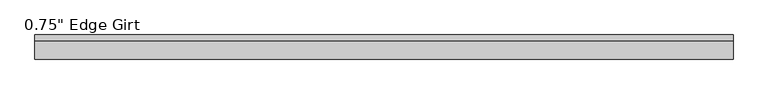
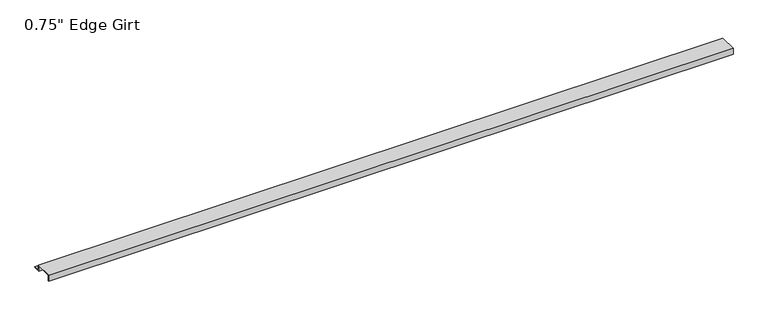
"""IFC4 building model written with IfcOpenShell, lengths in millimetres: proxy geometry."""

import ifcopenshell
import ifcopenshell.guid

model = None  # the IFC model being written
_history = None  # IfcOwnerHistory: only IFC2X3 demands one
_inside = {}  # id of a spatial element -> (the spatial element, [elements in it])
_under = {}  # id of a project, library or spatial element -> (it, [spatial elements below it])
_declared = {}  # id of a project -> (the project, [libraries it declares])
_typed = {}  # id of a type object -> (the type object, [elements of that type])
_made_of = {}  # id of a material, layer set ... -> (it, [elements and type objects made of it])


def new_model(schema):
    """Start an empty IFC model of exactly this schema.

    Asked for "IFC4X3", IfcOpenShell would pick the latest addendum, in which some entities
    have other attributes; the version numbers below select the first issue.
    IFC2X3 requires an IfcOwnerHistory on every rooted entity: one is made here for all.
    """
    global model, _history
    if schema == "IFC4X3":
        model = ifcopenshell.file(schema_version=(4, 3, 0, 0))
    else:
        model = ifcopenshell.file(schema=schema)
    _inside.clear()
    _under.clear()
    _declared.clear()
    _typed.clear()
    _made_of.clear()
    _history = None
    if model.schema == "IFC2X3":
        org = make("IfcOrganization", Name="unknown")
        user = make(
            "IfcPersonAndOrganization",
            ThePerson=make("IfcPerson", FamilyName="unknown"),
            TheOrganization=org,
        )
        app = make(
            "IfcApplication",
            ApplicationDeveloper=org,
            Version="unknown",
            ApplicationFullName="unknown",
            ApplicationIdentifier="unknown",
        )
        _history = make(
            "IfcOwnerHistory",
            OwningUser=user,
            OwningApplication=app,
            ChangeAction="ADDED",
            CreationDate=0,
        )
    return model


def make(cls, **values):
    """One entity of the class cls with the attributes given. An attribute that is None is left unset."""
    return model.create_entity(
        cls, **{name: value for name, value in values.items() if value is not None}
    )


def rooted(cls, **values):
    """An entity with a GlobalId (a new one), such as an element, a storey or a relation."""
    return make(cls, GlobalId=ifcopenshell.guid.new(), OwnerHistory=_history, **values)


def si_unit(unit_type, name, prefix=None):
    """IfcSIUnit, for example si_unit("LENGTHUNIT", "METRE", prefix="MILLI")."""
    return make("IfcSIUnit", UnitType=unit_type, Prefix=prefix, Name=name)


def assignment(units):
    """IfcUnitAssignment: the units of a project."""
    return None if units is None else make("IfcUnitAssignment", Units=units)


def point(xyz):
    """IfcCartesianPoint."""
    return None if xyz is None else make("IfcCartesianPoint", Coordinates=xyz)


def direction(xyz):
    """IfcDirection."""
    return None if xyz is None else make("IfcDirection", DirectionRatios=xyz)


def frame(location, z_axis=None, x_axis=None):
    """IfcAxis2Placement3D, a coordinate frame: its origin and axes. An axis left out is left unset."""
    return make(
        "IfcAxis2Placement3D",
        Location=point(location),
        Axis=direction(z_axis),
        RefDirection=direction(x_axis),
    )


def origin():
    """The frame at (0, 0, 0) with its axes left unset."""
    return frame((0.0, 0.0, 0.0))


def place(relative_to, where):
    """IfcLocalPlacement: puts the frame where relative to a parent placement (None: the world)."""
    return make(
        "IfcLocalPlacement", PlacementRelTo=relative_to, RelativePlacement=where
    )


def context(
    kind, dimensions, precision=None, world=None, true_north=None, identifier=None
):
    """IfcGeometricRepresentationContext, for example the 3D "Model" context."""
    return make(
        "IfcGeometricRepresentationContext",
        ContextIdentifier=identifier,
        ContextType=kind,
        CoordinateSpaceDimension=dimensions,
        Precision=precision,
        WorldCoordinateSystem=world,
        TrueNorth=true_north,
    )


def project(units=None, contexts=None):
    """IfcProject with its units and contexts."""
    return rooted(
        "IfcProject",
        Name="project",
        RepresentationContexts=contexts,
        UnitsInContext=assignment(units),
    )


def spatial(cls, under=None, at=None, **own):
    """A site, building, storey or space (cls), placed at a placement, below another one or the project."""
    s = rooted(cls, ObjectPlacement=at, **own)
    if under is not None:
        _under.setdefault(under.id(), (under, []))[1].append(s)
    return s


def polyline(points):
    """IfcPolyline through the points."""
    return make("IfcPolyline", Points=[point(p) for p in points])


def outline(outer, holes=None, kind="AREA"):
    """IfcArbitraryClosedProfileDef: a profile drawn as a closed curve; with holes, ...WithVoids."""
    if holes is None:
        return make("IfcArbitraryClosedProfileDef", ProfileType=kind, OuterCurve=outer)
    return make(
        "IfcArbitraryProfileDefWithVoids",
        ProfileType=kind,
        OuterCurve=outer,
        InnerCurves=holes,
    )


def extrude(swept, where, along, depth):
    """IfcExtrudedAreaSolid: the profile swept, set in the frame where, extruded along a direction by depth."""
    return make(
        "IfcExtrudedAreaSolid",
        SweptArea=swept,
        Position=where,
        ExtrudedDirection=direction(along),
        Depth=depth,
    )


def shape(context_of_items, identifier, shape_type, items):
    """IfcShapeRepresentation: the items that make up one representation, for example the "Body"."""
    return make(
        "IfcShapeRepresentation",
        ContextOfItems=context_of_items,
        RepresentationIdentifier=identifier,
        RepresentationType=shape_type,
        Items=items,
    )


def source(mapping_origin, context_of_items, identifier, shape_type, items):
    """IfcRepresentationMap: a shape defined once, which mapped items show again and again."""
    return make(
        "IfcRepresentationMap",
        MappingOrigin=mapping_origin,
        MappedRepresentation=shape(context_of_items, identifier, shape_type, items),
    )


def transform(
    local_origin,
    x_axis=None,
    y_axis=None,
    z_axis=None,
    scale=None,
    scale2=None,
    scale3=None,
    uniform=True,
):
    """IfcCartesianTransformationOperator3D, or its non-uniform kind. x_axis, y_axis, z_axis: its Axis1, 2, 3."""
    if uniform:
        return make(
            "IfcCartesianTransformationOperator3D",
            Axis1=direction(x_axis),
            Axis2=direction(y_axis),
            LocalOrigin=point(local_origin),
            Scale=scale,
            Axis3=direction(z_axis),
        )
    return make(
        "IfcCartesianTransformationOperator3DnonUniform",
        Axis1=direction(x_axis),
        Axis2=direction(y_axis),
        LocalOrigin=point(local_origin),
        Scale=scale,
        Axis3=direction(z_axis),
        Scale2=scale2,
        Scale3=scale3,
    )


def mapped(mapping_source, mapping_target):
    """IfcMappedItem: shows the shape of a source again, moved by a transform."""
    return make(
        "IfcMappedItem", MappingSource=mapping_source, MappingTarget=mapping_target
    )


def made_of(thing, what):
    """Note that an element or type object is made of a material, layer set ...; save() writes the relation."""
    if what is not None:
        _made_of.setdefault(what.id(), (what, []))[1].append(thing)
    return thing


def element(
    cls,
    number,
    at=None,
    inside=None,
    cuts=None,
    type_object=None,
    material=None,
    context=None,
    identifier="Body",
    shape_type=None,
    held_by="IfcProductDefinitionShape",
    body=None,
    shapes=None,
    **own,
):
    """One element of the class cls, such as IfcWall. Its Tag is "e" and its number.

    at: its placement. inside: the storey or other place that contains it. cuts: it is an
    opening in that element (IfcRelVoidsElement). A single representation is given by context,
    identifier, shape_type and body (its items); several are given by shapes. held_by: the class
    of the entity that holds the representations. save() writes the other relations.
    """
    e = rooted(cls, Tag="e%d" % number, ObjectPlacement=at, **own)
    if body is not None:
        shapes = [shape(context, identifier, shape_type, body)]
    if shapes is not None:
        e.Representation = make(held_by, Representations=shapes)
    if inside is not None:
        _inside.setdefault(inside.id(), (inside, []))[1].append(e)
    if cuts is not None:
        rooted(
            "IfcRelVoidsElement", RelatingBuildingElement=cuts, RelatedOpeningElement=e
        )
    if type_object is not None:
        _typed.setdefault(type_object.id(), (type_object, []))[1].append(e)
    return made_of(e, material)


def aggregate(whole, parts):
    """IfcRelAggregates: a whole, such as a stair, and the parts it consists of."""
    return rooted("IfcRelAggregates", RelatingObject=whole, RelatedObjects=parts)


def save(model, path):
    """Write the relations noted so far, then the file.

    IfcRelAggregates (storeys below a building ...), IfcRelContainedInSpatialStructure (elements
    in a storey), IfcRelDefinesByType, IfcRelAssociatesMaterial and IfcRelDeclares: one each for
    every whole, place, type object, material and project.
    """
    for whole, parts in _under.values():
        aggregate(whole, parts)
    for where, things in _inside.values():
        rooted(
            "IfcRelContainedInSpatialStructure",
            RelatedElements=things,
            RelatingStructure=where,
        )
    for kind, things in _typed.values():
        rooted("IfcRelDefinesByType", RelatedObjects=things, RelatingType=kind)
    for what, things in _made_of.values():
        rooted("IfcRelAssociatesMaterial", RelatedObjects=things, RelatingMaterial=what)
    for by, libraries in _declared.values():
        rooted("IfcRelDeclares", RelatingContext=by, RelatedDefinitions=libraries)
    model.write(path)


def proxy_865a7191(model_context):
    return source(origin(), model_context, "Body", "SweptSolid", [
        extrude(outline(polyline([(46.0559645, -17.4375), (25.4, -17.4375), (25.4, 0.0), (-25.4, 0.0), (-25.4, -17.4375), (-27.0129, -17.4375), (-27.0129, 1.6129), (27.0129, 1.6129), (27.0129, -15.8242), (46.0559645, -15.8242), (46.0559645, -17.4375)])), frame((0.0, 0.0, 0.0), z_axis=(1.0, 0.0, 0.0), x_axis=(0.0, 1.0, 0.0)), (0.0, 0.0, 1.0), 2111.0351355),
    ])


if __name__ == "__main__":
    model = new_model("IFC4")
    model_context = context("Model", 3, world=origin())
    ifc_project = project(units=[si_unit("LENGTHUNIT", "METRE", prefix="MILLI")], contexts=[model_context])
    site = spatial("IfcSite", under=ifc_project)
    building = spatial("IfcBuilding", under=site)
    placement = place(None, origin())
    proxy_shape = proxy_865a7191(model_context)
    element("IfcBuildingElementProxy", 1, Name="0.75\" Edge Girt", ObjectType="0.75\" Edge Girt", at=placement, inside=building, context=model_context, shape_type="MappedRepresentation", body=[
        mapped(proxy_shape, transform((0.0, 0.0, 0.0), x_axis=(1.0, 0.0, 0.0), y_axis=(0.0, 1.0, 0.0), z_axis=(0.0, 0.0, 1.0))),
    ])
    save(model, "model.ifc")
